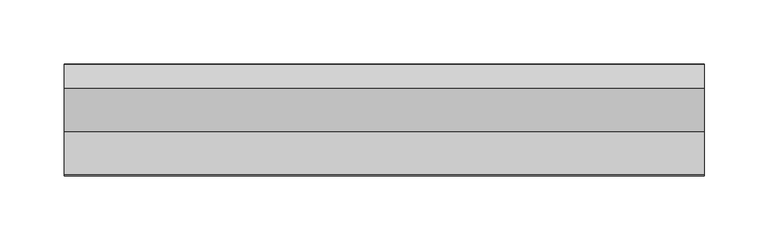
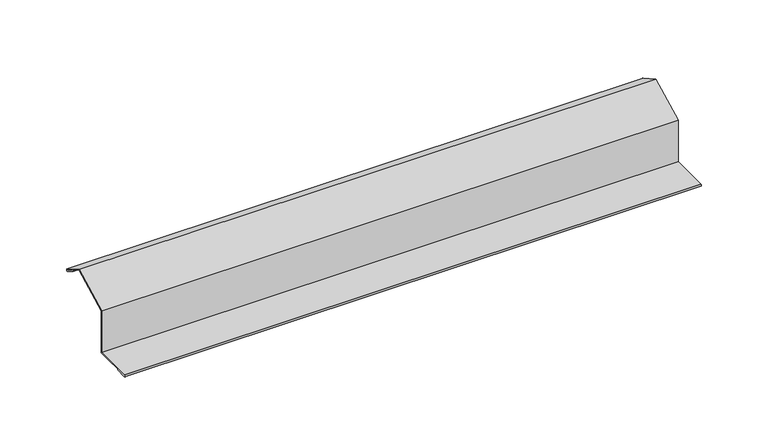
"""IFC4 building model written with IfcOpenShell, lengths in millimetres: proxy geometry."""

from ifc_helpers import new_model, si_unit, point, frame, frame_2d, origin, place, context, project, spatial, polyline, circle_curve, trimmed, segment, composite_curve, outline, extrude, source, transform, mapped, element, save


def generic_models_8b71cf6b(model_context):
    return source(origin(), model_context, "Body", "SweptSolid", [
        extrude(outline(composite_curve([segment(trimmed(circle_curve(frame_2d((-0.875, 44.6960426)), 0.875), [point((-0.4375, 45.4538149))], [point((-1.3125, 43.9382704))], False, "CARTESIAN"), True, "CONTINUOUS"), segment(polyline([(-1.3125, 43.9382704), (-9.972754, 48.9382704), (-9.583234, 49.6369335), (-0.8375, 44.7609946), (-18.8827751, 55.179439), (-52.0432394, 38.2350564), (-52.0432394, 0.0408361), (-86.4258767, -0.1120601), (-76.6969088, -0.1120601), (-76.6969088, -0.9120601), (-86.6969088, -0.9120601)]), True, "CONTINUOUS"), segment(trimmed(circle_curve(frame_2d((-86.6969088, -0.0870601)), 0.825), [point((-86.6969088, -0.9120601))], [point((-86.6969088, 0.7379399))], False, "CARTESIAN"), True, "CONTINUOUS"), segment(polyline([(-86.6969088, 0.7379399), (-52.8432394, 0.7379399), (-52.8432394, 38.7246617), (-18.8594641, 56.0897408), (-0.4375, 45.4538149)]), True, "CONTINUOUS")], self_intersect=False)), frame((0.0, 0.0, 0.0), z_axis=(1.0, 0.0, 0.0), x_axis=(0.0, 1.0, 0.0)), (0.0, 0.0, 1.0), 500.0),
    ])


if __name__ == "__main__":
    model = new_model("IFC4")
    model_context = context("Model", 3, world=origin())
    ifc_project = project(units=[si_unit("LENGTHUNIT", "METRE", prefix="MILLI")], contexts=[model_context])
    site = spatial("IfcSite", under=ifc_project)
    building = spatial("IfcBuilding", under=site)
    placement = place(None, origin())
    generic_models_shape = generic_models_8b71cf6b(model_context)
    element("IfcBuildingElementProxy", 1, Name="Generic Models", at=placement, inside=building, context=model_context, shape_type="MappedRepresentation", body=[
        mapped(generic_models_shape, transform((0.0, 0.0, 0.0), x_axis=(1.0, 0.0, 0.0), y_axis=(0.0, 1.0, 0.0), z_axis=(0.0, 0.0, 1.0))),
    ])
    save(model, "model.ifc")
